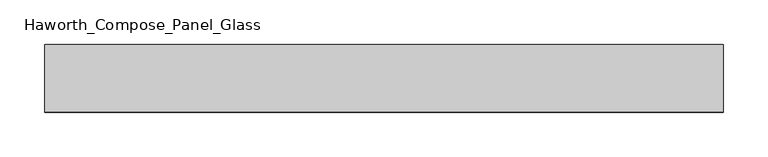
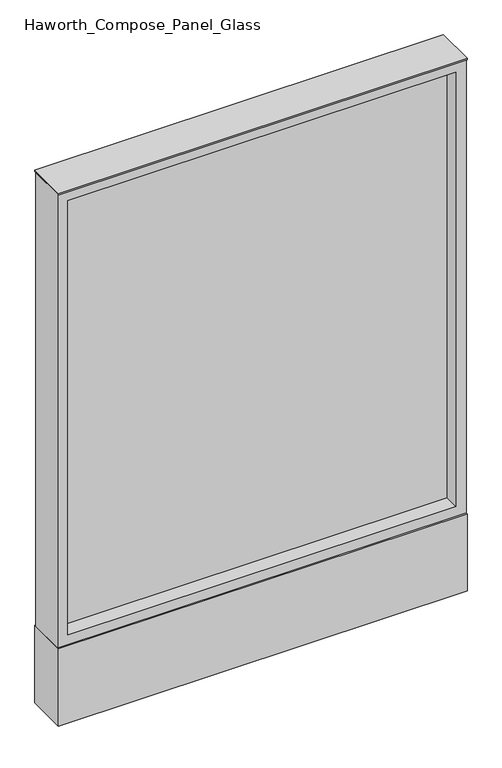
"""IFC4 building model written with IfcOpenShell, lengths in millimetres: furniture geometry, Haworth_Compose_Panel_Glass."""

from ifc_helpers import new_model, si_unit, point, frame, frame_2d, origin, origin_with_axes, place, context, project, spatial, polyline, circle_curve, trimmed, segment, composite_curve, outline, extrude, source, transform, mapped, element, save


def haworth_compose_panel_glass_b37c2f14(model_context):
    return source(origin(), model_context, "Body", "SweptSolid", [
        extrude(outline(composite_curve([segment(trimmed(circle_curve(frame_2d((307.2402902, 0.0)), 12.7), [point((294.5402902, 0.0))], [point((319.9402902, 0.0))], False, "CARTESIAN"), True, "CONTINUOUS"), segment(trimmed(circle_curve(frame_2d((307.2402902, 0.0)), 12.7), [point((319.9402902, 0.0))], [point((294.5402902, 0.0))], False, "CARTESIAN"), True, "CONTINUOUS")], self_intersect=False)), origin_with_axes(), (0.0, 0.0, 1.0), 12.7),
        extrude(outline(composite_curve([segment(trimmed(circle_curve(frame_2d((-302.3597098, 0.0)), 12.7), [point((-315.0597098, 0.0))], [point((-289.6597098, 0.0))], False, "CARTESIAN"), True, "CONTINUOUS"), segment(trimmed(circle_curve(frame_2d((-302.3597098, 0.0)), 12.7), [point((-289.6597098, 0.0))], [point((-315.0597098, 0.0))], False, "CARTESIAN"), True, "CONTINUOUS")], self_intersect=False)), origin_with_axes(), (0.0, 0.0, 1.0), 12.7),
        extrude(outline(polyline([(364.3902902, -6.35), (-359.5097098, -6.35), (-359.5097098, 6.35), (364.3902902, 6.35), (364.3902902, -6.35)])), frame((0.0, 0.0, 184.15), z_axis=(0.0, 0.0, 1.0), x_axis=(1.0, 0.0, 0.0)), (0.0, 0.0, 1.0), 857.25),
        extrude(outline(polyline([(1060.45, -378.5597098), (165.1, -378.5597098), (165.1, 383.4402902), (1060.45, 383.4402902), (1060.45, -378.5597098)]), holes=[polyline([(1041.4, 364.3902902), (184.15, 364.3902902), (184.15, -359.5097098), (1041.4, -359.5097098), (1041.4, 364.3902902)])]), frame((0.0, -34.925, 0.0), z_axis=(0.0, 1.0, 0.0), x_axis=(0.0, 0.0, 1.0)), (0.0, 0.0, 1.0), 69.85),
        extrude(outline(polyline([(-378.5597098, 38.1), (383.4402902, 38.1), (383.4402902, -38.1), (-378.5597098, -38.1), (-378.5597098, 38.1)])), frame((0.0, 0.0, 12.7), z_axis=(0.0, 0.0, 1.0), x_axis=(1.0, 0.0, 0.0)), (0.0, 0.0, 1.0), 152.4),
        extrude(outline(polyline([(-378.5597098, -38.1), (-378.5597098, 38.1), (383.4402902, 38.1), (383.4402902, -38.1), (-378.5597098, -38.1)])), frame((0.0, 0.0, 1060.45), z_axis=(0.0, 0.0, 1.0), x_axis=(1.0, 0.0, 0.0)), (0.0, 0.0, 1.0), 3.175),
    ])


if __name__ == "__main__":
    model = new_model("IFC4")
    model_context = context("Model", 3, world=origin())
    ifc_project = project(units=[si_unit("LENGTHUNIT", "METRE", prefix="MILLI")], contexts=[model_context])
    site = spatial("IfcSite", under=ifc_project)
    building = spatial("IfcBuilding", under=site)
    placement = place(None, origin())
    haworth_compose_panel_glass_shape = haworth_compose_panel_glass_b37c2f14(model_context)
    element("IfcFurniture", 1, ObjectType="Haworth_Compose_Panel_Glass", at=placement, inside=building, context=model_context, shape_type="MappedRepresentation", body=[
        mapped(haworth_compose_panel_glass_shape, transform((0.0, 0.0, 0.0), x_axis=(1.0, 0.0, 0.0), y_axis=(0.0, 1.0, 0.0), z_axis=(0.0, 0.0, 1.0))),
    ])
    save(model, "model.ifc")
